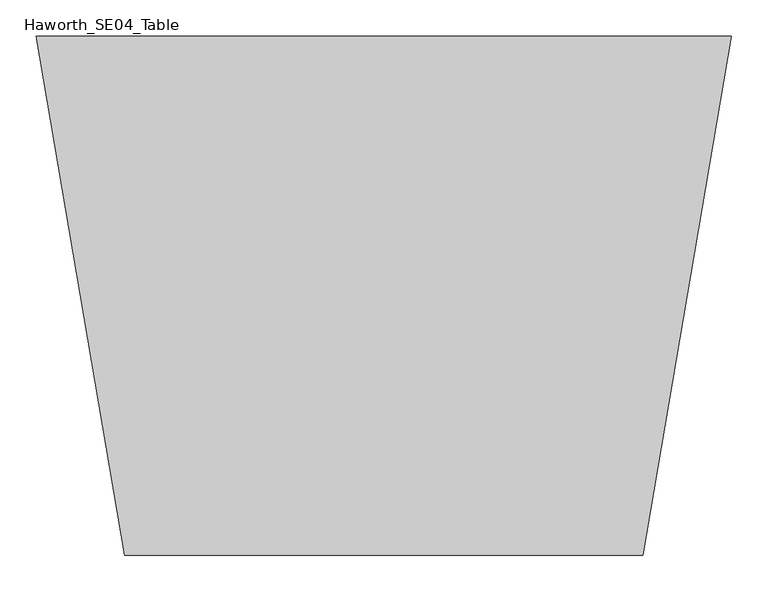
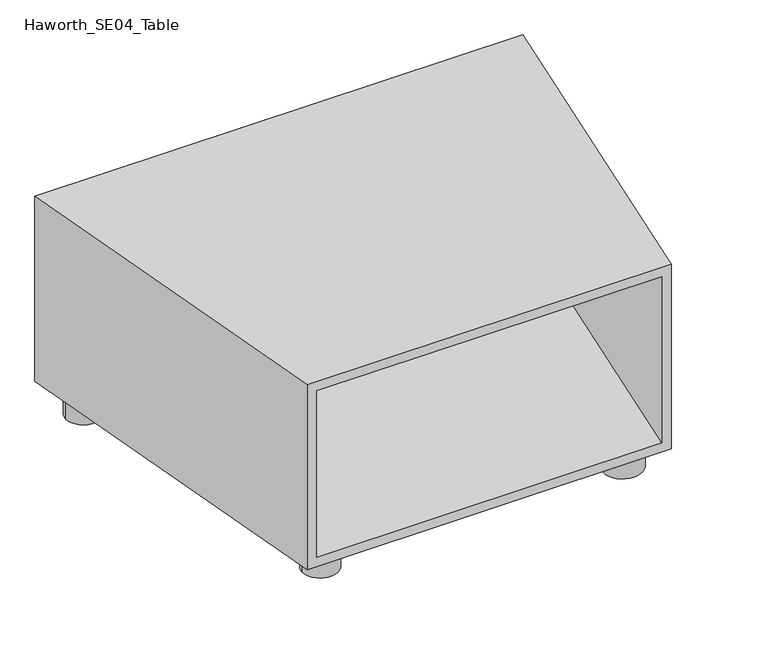
"""IFC4 building model written with IfcOpenShell, lengths in millimetres: furniture geometry, Haworth_SE04_Table."""

from ifc_helpers import new_model, si_unit, point, frame_2d, origin, origin_with_axes, place, context, project, spatial, circle_curve, trimmed, segment, composite_curve, outline, extrude, faceted_brep, source, transform, mapped, element, save


def haworth_se04_table_eea27526(model_context):
    return source(origin(), model_context, "Body", "SolidModel", [
        faceted_brep([(-355.6, -355.6, 431.8), (-355.6, -355.6, 50.8), (355.6, -355.6, 50.8), (355.6, -355.6, 431.8), (-336.55, -355.6, 412.75), (336.55, -355.6, 412.75), (336.55, -355.6, 69.85), (-336.55, -355.6, 69.85), (-476.25, 355.6, 431.8), (476.25, 355.6, 431.8), (476.25, 355.6, 50.8), (-476.25, 355.6, 50.8), (457.2, 355.6, 412.75), (-457.2, 355.6, 412.75), (-457.2, 355.6, 69.85), (457.2, 355.6, 69.85)], [[[0, 1, 2, 3], [4, 5, 6, 7]], [[8, 9, 10, 11], [12, 13, 14, 15]], [[1, 0, 8, 11]], [[2, 1, 11, 10]], [[3, 2, 10, 9]], [[0, 3, 9, 8]], [[12, 5, 4, 13]], [[13, 4, 7, 14]], [[14, 7, 6, 15]], [[5, 12, 15, 6]]]),
        extrude(outline(composite_curve([segment(trimmed(circle_curve(frame_2d((-415.925, 295.275)), 34.925), [point((-450.85, 295.275))], [point((-381.0, 295.275))], False, "CARTESIAN"), True, "CONTINUOUS"), segment(trimmed(circle_curve(frame_2d((-415.925, 295.275)), 34.925), [point((-381.0, 295.275))], [point((-450.85, 295.275))], False, "CARTESIAN"), True, "CONTINUOUS")], self_intersect=False)), origin_with_axes(), (0.0, 0.0, 1.0), 50.8),
        extrude(outline(composite_curve([segment(trimmed(circle_curve(frame_2d((415.925, 295.275)), 38.1), [point((377.825, 295.275))], [point((454.025, 295.275))], False, "CARTESIAN"), True, "CONTINUOUS"), segment(trimmed(circle_curve(frame_2d((415.925, 295.275)), 38.1), [point((454.025, 295.275))], [point((377.825, 295.275))], False, "CARTESIAN"), True, "CONTINUOUS")], self_intersect=False)), origin_with_axes(), (0.0, 0.0, 1.0), 50.8),
        extrude(outline(composite_curve([segment(trimmed(circle_curve(frame_2d((-295.275, -295.275)), 34.925), [point((-330.2, -295.275))], [point((-260.35, -295.275))], False, "CARTESIAN"), True, "CONTINUOUS"), segment(trimmed(circle_curve(frame_2d((-295.275, -295.275)), 34.925), [point((-260.35, -295.275))], [point((-330.2, -295.275))], False, "CARTESIAN"), True, "CONTINUOUS")], self_intersect=False)), origin_with_axes(), (0.0, 0.0, 1.0), 50.8),
        extrude(outline(composite_curve([segment(trimmed(circle_curve(frame_2d((295.275, -295.275)), 38.1), [point((257.175, -295.275))], [point((333.375, -295.275))], False, "CARTESIAN"), True, "CONTINUOUS"), segment(trimmed(circle_curve(frame_2d((295.275, -295.275)), 38.1), [point((333.375, -295.275))], [point((257.175, -295.275))], False, "CARTESIAN"), True, "CONTINUOUS")], self_intersect=False)), origin_with_axes(), (0.0, 0.0, 1.0), 50.8),
    ])


if __name__ == "__main__":
    model = new_model("IFC4")
    model_context = context("Model", 3, world=origin())
    ifc_project = project(units=[si_unit("LENGTHUNIT", "METRE", prefix="MILLI")], contexts=[model_context])
    site = spatial("IfcSite", under=ifc_project)
    building = spatial("IfcBuilding", under=site)
    placement = place(None, origin())
    haworth_se04_table_shape = haworth_se04_table_eea27526(model_context)
    element("IfcFurniture", 1, ObjectType="Haworth_SE04_Table", at=placement, inside=building, context=model_context, shape_type="MappedRepresentation", body=[
        mapped(haworth_se04_table_shape, transform((0.0, 0.0, 0.0), x_axis=(1.0, 0.0, 0.0), y_axis=(0.0, 1.0, 0.0), z_axis=(0.0, 0.0, 1.0))),
    ])
    save(model, "model.ifc")
